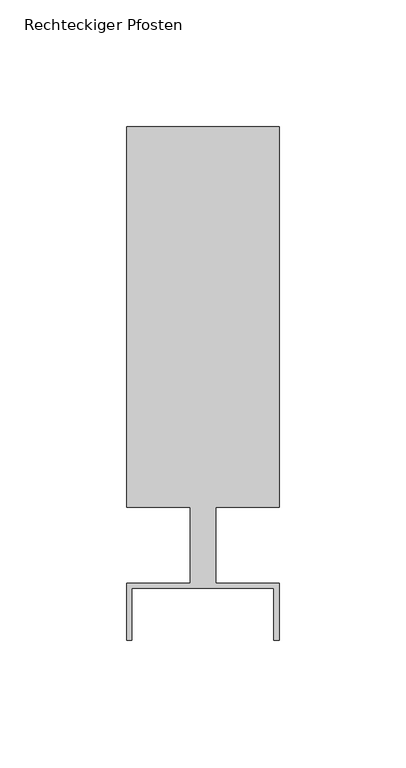
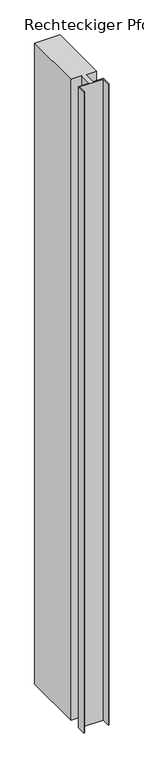
"""IFC4 building model written with IfcOpenShell, lengths in millimetres: member geometry, Rechteckiger Pfosten."""

from ifc_helpers import new_model, si_unit, frame, origin, place, context, project, spatial, polyline, outline, extrude, source, transform, mapped, element, save


def rechteckiger_pfosten_61600255(model_context):
    return source(origin(), model_context, "Body", "SweptSolid", [
        extrude(outline(polyline([(28.0, -37.5), (28.0, -17.0), (-28.0, -17.0), (-28.0, -37.5), (-30.0, -37.5), (-30.0, -15.0), (-5.0, -15.0), (-5.0, 15.0), (-30.0, 15.0), (-30.0, 165.0), (30.0, 165.0), (30.0, 15.0), (5.0, 15.0), (5.0, -15.0), (30.0, -15.0), (30.0, -37.5), (28.0, -37.5)])), frame((0.0, 0.0, -1610.0000016), z_axis=(0.0, 0.0, 1.0), x_axis=(1.0, 0.0, 0.0)), (0.0, 0.0, 1.0), 1610.0000016),
    ])


if __name__ == "__main__":
    model = new_model("IFC4")
    model_context = context("Model", 3, world=origin())
    ifc_project = project(units=[si_unit("LENGTHUNIT", "METRE", prefix="MILLI")], contexts=[model_context])
    site = spatial("IfcSite", under=ifc_project)
    building = spatial("IfcBuilding", under=site)
    placement = place(None, origin())
    rechteckiger_pfosten_shape = rechteckiger_pfosten_61600255(model_context)
    element("IfcMember", 1, ObjectType="Rechteckiger Pfosten", at=placement, inside=building, context=model_context, shape_type="MappedRepresentation", body=[
        mapped(rechteckiger_pfosten_shape, transform((0.0, 0.0, 0.0), x_axis=(1.0, 0.0, 0.0), y_axis=(0.0, 1.0, 0.0), z_axis=(0.0, 0.0, 1.0))),
    ])
    save(model, "model.ifc")
